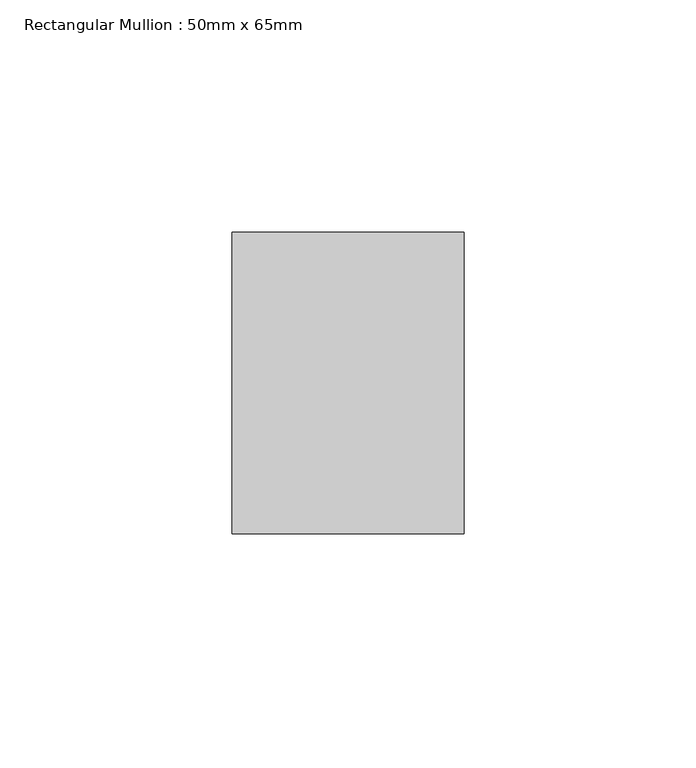
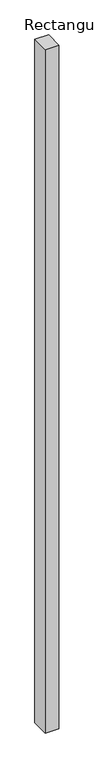
"""IFC4 building model written with IfcOpenShell, lengths in millimetres: member geometry, Rectangular Mullion : 50mm x 65mm."""

import ifcopenshell
import ifcopenshell.guid

model = None  # the IFC model being written
_history = None  # IfcOwnerHistory: only IFC2X3 demands one
_inside = {}  # id of a spatial element -> (the spatial element, [elements in it])
_under = {}  # id of a project, library or spatial element -> (it, [spatial elements below it])
_declared = {}  # id of a project -> (the project, [libraries it declares])
_typed = {}  # id of a type object -> (the type object, [elements of that type])
_made_of = {}  # id of a material, layer set ... -> (it, [elements and type objects made of it])


def new_model(schema):
    """Start an empty IFC model of exactly this schema.

    Asked for "IFC4X3", IfcOpenShell would pick the latest addendum, in which some entities
    have other attributes; the version numbers below select the first issue.
    IFC2X3 requires an IfcOwnerHistory on every rooted entity: one is made here for all.
    """
    global model, _history
    if schema == "IFC4X3":
        model = ifcopenshell.file(schema_version=(4, 3, 0, 0))
    else:
        model = ifcopenshell.file(schema=schema)
    _inside.clear()
    _under.clear()
    _declared.clear()
    _typed.clear()
    _made_of.clear()
    _history = None
    if model.schema == "IFC2X3":
        org = make("IfcOrganization", Name="unknown")
        user = make(
            "IfcPersonAndOrganization",
            ThePerson=make("IfcPerson", FamilyName="unknown"),
            TheOrganization=org,
        )
        app = make(
            "IfcApplication",
            ApplicationDeveloper=org,
            Version="unknown",
            ApplicationFullName="unknown",
            ApplicationIdentifier="unknown",
        )
        _history = make(
            "IfcOwnerHistory",
            OwningUser=user,
            OwningApplication=app,
            ChangeAction="ADDED",
            CreationDate=0,
        )
    return model


def make(cls, **values):
    """One entity of the class cls with the attributes given. An attribute that is None is left unset."""
    return model.create_entity(
        cls, **{name: value for name, value in values.items() if value is not None}
    )


def rooted(cls, **values):
    """An entity with a GlobalId (a new one), such as an element, a storey or a relation."""
    return make(cls, GlobalId=ifcopenshell.guid.new(), OwnerHistory=_history, **values)


def si_unit(unit_type, name, prefix=None):
    """IfcSIUnit, for example si_unit("LENGTHUNIT", "METRE", prefix="MILLI")."""
    return make("IfcSIUnit", UnitType=unit_type, Prefix=prefix, Name=name)


def assignment(units):
    """IfcUnitAssignment: the units of a project."""
    return None if units is None else make("IfcUnitAssignment", Units=units)


def point(xyz):
    """IfcCartesianPoint."""
    return None if xyz is None else make("IfcCartesianPoint", Coordinates=xyz)


def direction(xyz):
    """IfcDirection."""
    return None if xyz is None else make("IfcDirection", DirectionRatios=xyz)


def frame(location, z_axis=None, x_axis=None):
    """IfcAxis2Placement3D, a coordinate frame: its origin and axes. An axis left out is left unset."""
    return make(
        "IfcAxis2Placement3D",
        Location=point(location),
        Axis=direction(z_axis),
        RefDirection=direction(x_axis),
    )


def origin():
    """The frame at (0, 0, 0) with its axes left unset."""
    return frame((0.0, 0.0, 0.0))


def place(relative_to, where):
    """IfcLocalPlacement: puts the frame where relative to a parent placement (None: the world)."""
    return make(
        "IfcLocalPlacement", PlacementRelTo=relative_to, RelativePlacement=where
    )


def context(
    kind, dimensions, precision=None, world=None, true_north=None, identifier=None
):
    """IfcGeometricRepresentationContext, for example the 3D "Model" context."""
    return make(
        "IfcGeometricRepresentationContext",
        ContextIdentifier=identifier,
        ContextType=kind,
        CoordinateSpaceDimension=dimensions,
        Precision=precision,
        WorldCoordinateSystem=world,
        TrueNorth=true_north,
    )


def project(units=None, contexts=None):
    """IfcProject with its units and contexts."""
    return rooted(
        "IfcProject",
        Name="project",
        RepresentationContexts=contexts,
        UnitsInContext=assignment(units),
    )


def spatial(cls, under=None, at=None, **own):
    """A site, building, storey or space (cls), placed at a placement, below another one or the project."""
    s = rooted(cls, ObjectPlacement=at, **own)
    if under is not None:
        _under.setdefault(under.id(), (under, []))[1].append(s)
    return s


def polyline(points):
    """IfcPolyline through the points."""
    return make("IfcPolyline", Points=[point(p) for p in points])


def outline(outer, holes=None, kind="AREA"):
    """IfcArbitraryClosedProfileDef: a profile drawn as a closed curve; with holes, ...WithVoids."""
    if holes is None:
        return make("IfcArbitraryClosedProfileDef", ProfileType=kind, OuterCurve=outer)
    return make(
        "IfcArbitraryProfileDefWithVoids",
        ProfileType=kind,
        OuterCurve=outer,
        InnerCurves=holes,
    )


def extrude(swept, where, along, depth):
    """IfcExtrudedAreaSolid: the profile swept, set in the frame where, extruded along a direction by depth."""
    return make(
        "IfcExtrudedAreaSolid",
        SweptArea=swept,
        Position=where,
        ExtrudedDirection=direction(along),
        Depth=depth,
    )


def shape(context_of_items, identifier, shape_type, items):
    """IfcShapeRepresentation: the items that make up one representation, for example the "Body"."""
    return make(
        "IfcShapeRepresentation",
        ContextOfItems=context_of_items,
        RepresentationIdentifier=identifier,
        RepresentationType=shape_type,
        Items=items,
    )


def source(mapping_origin, context_of_items, identifier, shape_type, items):
    """IfcRepresentationMap: a shape defined once, which mapped items show again and again."""
    return make(
        "IfcRepresentationMap",
        MappingOrigin=mapping_origin,
        MappedRepresentation=shape(context_of_items, identifier, shape_type, items),
    )


def transform(
    local_origin,
    x_axis=None,
    y_axis=None,
    z_axis=None,
    scale=None,
    scale2=None,
    scale3=None,
    uniform=True,
):
    """IfcCartesianTransformationOperator3D, or its non-uniform kind. x_axis, y_axis, z_axis: its Axis1, 2, 3."""
    if uniform:
        return make(
            "IfcCartesianTransformationOperator3D",
            Axis1=direction(x_axis),
            Axis2=direction(y_axis),
            LocalOrigin=point(local_origin),
            Scale=scale,
            Axis3=direction(z_axis),
        )
    return make(
        "IfcCartesianTransformationOperator3DnonUniform",
        Axis1=direction(x_axis),
        Axis2=direction(y_axis),
        LocalOrigin=point(local_origin),
        Scale=scale,
        Axis3=direction(z_axis),
        Scale2=scale2,
        Scale3=scale3,
    )


def mapped(mapping_source, mapping_target):
    """IfcMappedItem: shows the shape of a source again, moved by a transform."""
    return make(
        "IfcMappedItem", MappingSource=mapping_source, MappingTarget=mapping_target
    )


def made_of(thing, what):
    """Note that an element or type object is made of a material, layer set ...; save() writes the relation."""
    if what is not None:
        _made_of.setdefault(what.id(), (what, []))[1].append(thing)
    return thing


def element(
    cls,
    number,
    at=None,
    inside=None,
    cuts=None,
    type_object=None,
    material=None,
    context=None,
    identifier="Body",
    shape_type=None,
    held_by="IfcProductDefinitionShape",
    body=None,
    shapes=None,
    **own,
):
    """One element of the class cls, such as IfcWall. Its Tag is "e" and its number.

    at: its placement. inside: the storey or other place that contains it. cuts: it is an
    opening in that element (IfcRelVoidsElement). A single representation is given by context,
    identifier, shape_type and body (its items); several are given by shapes. held_by: the class
    of the entity that holds the representations. save() writes the other relations.
    """
    e = rooted(cls, Tag="e%d" % number, ObjectPlacement=at, **own)
    if body is not None:
        shapes = [shape(context, identifier, shape_type, body)]
    if shapes is not None:
        e.Representation = make(held_by, Representations=shapes)
    if inside is not None:
        _inside.setdefault(inside.id(), (inside, []))[1].append(e)
    if cuts is not None:
        rooted(
            "IfcRelVoidsElement", RelatingBuildingElement=cuts, RelatedOpeningElement=e
        )
    if type_object is not None:
        _typed.setdefault(type_object.id(), (type_object, []))[1].append(e)
    return made_of(e, material)


def aggregate(whole, parts):
    """IfcRelAggregates: a whole, such as a stair, and the parts it consists of."""
    return rooted("IfcRelAggregates", RelatingObject=whole, RelatedObjects=parts)


def save(model, path):
    """Write the relations noted so far, then the file.

    IfcRelAggregates (storeys below a building ...), IfcRelContainedInSpatialStructure (elements
    in a storey), IfcRelDefinesByType, IfcRelAssociatesMaterial and IfcRelDeclares: one each for
    every whole, place, type object, material and project.
    """
    for whole, parts in _under.values():
        aggregate(whole, parts)
    for where, things in _inside.values():
        rooted(
            "IfcRelContainedInSpatialStructure",
            RelatedElements=things,
            RelatingStructure=where,
        )
    for kind, things in _typed.values():
        rooted("IfcRelDefinesByType", RelatedObjects=things, RelatingType=kind)
    for what, things in _made_of.values():
        rooted("IfcRelAssociatesMaterial", RelatedObjects=things, RelatingMaterial=what)
    for by, libraries in _declared.values():
        rooted("IfcRelDeclares", RelatingContext=by, RelatedDefinitions=libraries)
    model.write(path)


def rectangular_mullion_50mm_x_65mm_905687f3(model_context):
    return source(origin(), model_context, "Body", "SweptSolid", [
        extrude(outline(polyline([(25.0, 32.5), (25.0, -32.5), (-25.0, -32.5), (-25.0, 32.5), (25.0, 32.5)])), frame((0.0, 0.0, -2625.0745439), z_axis=(0.0, 0.0, 1.0), x_axis=(1.0, 0.0, 0.0)), (0.0, 0.0, 1.0), 2625.0745439),
    ])


if __name__ == "__main__":
    model = new_model("IFC4")
    model_context = context("Model", 3, world=origin())
    ifc_project = project(units=[si_unit("LENGTHUNIT", "METRE", prefix="MILLI")], contexts=[model_context])
    site = spatial("IfcSite", under=ifc_project)
    building = spatial("IfcBuilding", under=site)
    placement = place(None, origin())
    rectangular_mullion_50mm_x_65mm_shape = rectangular_mullion_50mm_x_65mm_905687f3(model_context)
    element("IfcMember", 1, ObjectType="Rectangular Mullion : 50mm x 65mm", at=placement, inside=building, context=model_context, shape_type="MappedRepresentation", body=[
        mapped(rectangular_mullion_50mm_x_65mm_shape, transform((0.0, 0.0, 0.0), x_axis=(1.0, 0.0, 0.0), y_axis=(0.0, 1.0, 0.0), z_axis=(0.0, 0.0, 1.0))),
    ])
    save(model, "model.ifc")
